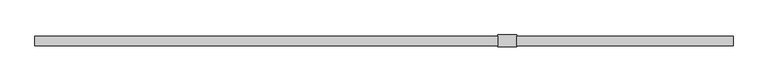
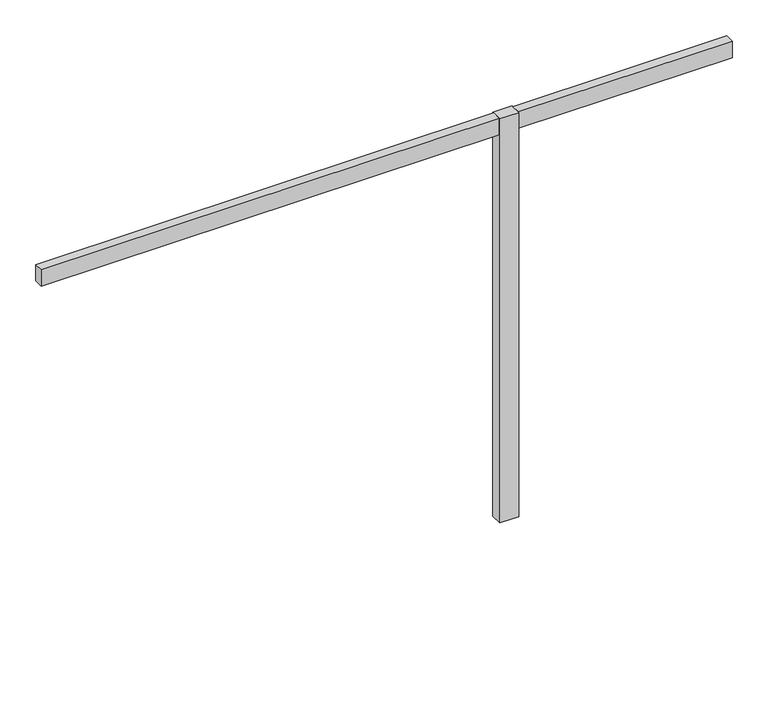
"""IFC4 building model written with IfcOpenShell, lengths in millimetres: furniture geometry."""

from ifc_helpers import new_model, si_unit, frame, origin, place, context, project, spatial, polyline, circle_curve, outline, extrude, source, transform, mapped, element, save
from ifc_brep_helpers import plane_surface, cylinder_surface, revolved_surface, advanced_brep


def furniture_f873e4c3(model_context):
    return source(origin(), model_context, "Body", "SolidModel", [
        extrude(outline(polyline([(0.0, -25.4), (0.0, 25.4), (2438.4, 25.4), (2438.4, -25.4), (0.0, -25.4)])), frame((0.0, 0.0, 2193.163), z_axis=(0.0, 0.0, 1.0), x_axis=(1.0, 0.0, 0.0)), (0.0, 0.0, 1.0), 92.71),
        extrude(outline(polyline([(3679.952, 25.4), (3679.952, -25.4), (2540.0, -25.4), (2540.0, 25.4), (3679.952, 25.4)])), frame((0.0, 0.0, 2193.163), z_axis=(0.0, 0.0, 1.0), x_axis=(1.0, 0.0, 0.0)), (0.0, 0.0, 1.0), 92.71),
        advanced_brep(
        [(2484.28608, 0.0, 12.2513995), (2497.7007166, 0.0, 12.2513995), (2497.7007166, 0.0, 8.6192084), (2484.28608, 0.0, 8.6192084), (2490.9933983, 0.0, 12.2513995), (2487.0977328, 0.0, 0.1343169), (2494.8890638, 0.0, 0.1343169), (2490.9933983, 0.0, 0.1343169), (2482.3954934, 0.0, 0.5457096), (2499.5913032, 0.0, 0.5457096), (2480.463095, 0.0, 1.6168555), (2501.5237016, 0.0, 1.6168555), (2479.7442797, 0.0, 3.5917842), (2502.2425168, 0.0, 3.5917842), (2479.7442797, 0.0, 5.5815918), (2502.2425168, 0.0, 5.5815918), (2480.1049588, 0.0, 6.9276644), (2501.8818378, 0.0, 6.9276644), (2481.1315909, 0.0, 7.9542964), (2500.8552057, 0.0, 7.9542964), (2482.7773058, 0.0, 8.6192084), (2499.2094908, 0.0, 8.6192084)],
        [
            (0, 1, circle_curve(frame((2490.9933983, 0.0, 12.2513995), z_axis=(0.0, 0.0, -1.0), x_axis=(1.0, 0.0, 0.0)), 6.7073183)),
            (1, 2),
            (2, 3, circle_curve(frame((2490.9933983, 0.0, 8.6192084), z_axis=(0.0, 0.0, 1.0), x_axis=(1.0, 0.0, 0.0)), 6.7073183)),
            (3, 0),
            (1, 0, circle_curve(frame((2490.9933983, 0.0, 12.2513995), z_axis=(0.0, 0.0, -1.0), x_axis=(1.0, 0.0, 0.0)), 6.7073183)),
            (3, 2, circle_curve(frame((2490.9933983, 0.0, 8.6192084), z_axis=(0.0, 0.0, 1.0), x_axis=(1.0, 0.0, 0.0)), 6.7073183)),
            (4, 1),
            (0, 4),
            (5, 6, circle_curve(frame((2490.9933983, 0.0, 0.1343169), z_axis=(0.0, 0.0, -1.0), x_axis=(1.0, 0.0, 0.0)), 3.8956655)),
            (6, 7),
            (7, 5),
            (6, 5, circle_curve(frame((2490.9933983, 0.0, 0.1343169), z_axis=(0.0, 0.0, -1.0), x_axis=(1.0, 0.0, 0.0)), 3.8956655)),
            (8, 9, circle_curve(frame((2490.9933983, 0.0, 0.5457096), z_axis=(0.0, 0.0, -1.0), x_axis=(1.0, 0.0, 0.0)), 8.5979049)),
            (9, 6),
            (5, 8),
            (9, 8, circle_curve(frame((2490.9933983, 0.0, 0.5457096), z_axis=(0.0, 0.0, -1.0), x_axis=(1.0, 0.0, 0.0)), 8.5979049)),
            (10, 11, circle_curve(frame((2490.9933983, 0.0, 1.6168555), z_axis=(0.0, 0.0, -1.0), x_axis=(1.0, 0.0, 0.0)), 10.5303033)),
            (11, 9),
            (8, 10),
            (11, 10, circle_curve(frame((2490.9933983, 0.0, 1.6168555), z_axis=(0.0, 0.0, -1.0), x_axis=(1.0, 0.0, 0.0)), 10.5303033)),
            (12, 13, circle_curve(frame((2490.9933983, 0.0, 3.5917842), z_axis=(0.0, 0.0, -1.0), x_axis=(1.0, 0.0, 0.0)), 11.2491185)),
            (13, 11),
            (10, 12),
            (13, 12, circle_curve(frame((2490.9933983, 0.0, 3.5917842), z_axis=(0.0, 0.0, -1.0), x_axis=(1.0, 0.0, 0.0)), 11.2491185)),
            (14, 15, circle_curve(frame((2490.9933983, 0.0, 5.5815918), z_axis=(0.0, 0.0, -1.0), x_axis=(1.0, 0.0, 0.0)), 11.2491185)),
            (15, 13),
            (12, 14),
            (15, 14, circle_curve(frame((2490.9933983, 0.0, 5.5815918), z_axis=(0.0, 0.0, -1.0), x_axis=(1.0, 0.0, 0.0)), 11.2491185)),
            (16, 17, circle_curve(frame((2490.9933983, 0.0, 6.9276644), z_axis=(0.0, 0.0, -1.0), x_axis=(1.0, 0.0, 0.0)), 10.8884395)),
            (17, 15),
            (14, 16),
            (17, 16, circle_curve(frame((2490.9933983, 0.0, 6.9276644), z_axis=(0.0, 0.0, -1.0), x_axis=(1.0, 0.0, 0.0)), 10.8884395)),
            (18, 19, circle_curve(frame((2490.9933983, 0.0, 7.9542964), z_axis=(0.0, 0.0, -1.0), x_axis=(1.0, 0.0, 0.0)), 9.8618074)),
            (19, 17),
            (16, 18),
            (19, 18, circle_curve(frame((2490.9933983, 0.0, 7.9542964), z_axis=(0.0, 0.0, -1.0), x_axis=(1.0, 0.0, 0.0)), 9.8618074)),
            (20, 21, circle_curve(frame((2490.9933983, 0.0, 8.6192084), z_axis=(0.0, 0.0, -1.0), x_axis=(1.0, 0.0, 0.0)), 8.2160925)),
            (21, 19),
            (18, 20),
            (21, 20, circle_curve(frame((2490.9933983, 0.0, 8.6192084), z_axis=(0.0, 0.0, -1.0), x_axis=(1.0, 0.0, 0.0)), 8.2160925)),
            (2, 21),
            (20, 3),
        ],
        [
            cylinder_surface(frame((2490.9933983, 0.0, 12.9264669), z_axis=(0.0, 0.0, 1.0), x_axis=(1.0, 0.0, 0.0)), 6.7073183),
            plane_surface(frame((2490.9933983, 0.0, 12.2513995), z_axis=(0.0, 0.0, 1.0), x_axis=(1.0, 0.0, 0.0))),
            plane_surface(frame((2490.9933983, 0.0, 0.1343169), z_axis=(0.0, 0.0, -1.0), x_axis=(1.0, 0.0, 0.0))),
            revolved_surface(polyline([(2494.8890638, 0.0, 0.1343169), (2499.5913032, 0.0, 0.5457096)]), (2490.9933983, 0.0, 12.9264669), (0.0, 0.0, 1.0)),
            revolved_surface(polyline([(2499.5913032, 0.0, 0.5457096), (2501.5237016, 0.0, 1.6168555)]), (2490.9933983, 0.0, 12.9264669), (0.0, 0.0, 1.0)),
            revolved_surface(polyline([(2501.5237016, 0.0, 1.6168555), (2502.2425168, 0.0, 3.5917842)]), (2490.9933983, 0.0, 12.9264669), (0.0, 0.0, 1.0)),
            cylinder_surface(frame((2490.9933983, 0.0, 12.9264669), z_axis=(0.0, 0.0, 1.0), x_axis=(1.0, 0.0, 0.0)), 11.2491185),
            revolved_surface(polyline([(2502.2425168, 0.0, 5.5815918), (2501.8818378, 0.0, 6.9276644)]), (2490.9933983, 0.0, 12.9264669), (0.0, 0.0, 1.0)),
            revolved_surface(polyline([(2501.8818378, 0.0, 6.9276644), (2500.8552057, 0.0, 7.9542964)]), (2490.9933983, 0.0, 12.9264669), (0.0, 0.0, 1.0)),
            revolved_surface(polyline([(2500.8552057, 0.0, 7.9542964), (2499.2094908, 0.0, 8.6192084)]), (2490.9933983, 0.0, 12.9264669), (0.0, 0.0, 1.0)),
            plane_surface(frame((2490.9933983, 0.0, 8.6192084), z_axis=(0.0, 0.0, 1.0), x_axis=(1.0, 0.0, 0.0))),
        ],
        [
            (0, [[1, 2, 3, 4]]),
            (0, [[5, -4, 6, -2]]),
            (1, [[7, -1, 8]]),
            (1, [[-8, -5, -7]]),
            (2, [[9, 10, 11]]),
            (2, [[12, -11, -10]]),
            (3, [[13, 14, -9, 15]]),
            (3, [[16, -15, -12, -14]]),
            (4, [[17, 18, -13, 19]]),
            (4, [[20, -19, -16, -18]]),
            (5, [[21, 22, -17, 23]]),
            (5, [[24, -23, -20, -22]]),
            (6, [[25, 26, -21, 27]]),
            (6, [[28, -27, -24, -26]]),
            (7, [[29, 30, -25, 31]]),
            (7, [[32, -31, -28, -30]]),
            (8, [[33, 34, -29, 35]]),
            (8, [[36, -35, -32, -34]]),
            (9, [[37, 38, -33, 39]]),
            (9, [[40, -39, -36, -38]]),
            (10, [[-3, 41, -37, 42]]),
            (10, [[-6, -42, -40, -41]]),
        ],
    ),
        extrude(outline(polyline([(2438.4, 31.75), (2540.0, 31.75), (2540.0, -31.75), (2438.4, -31.75), (2438.4, 31.75)])), frame((0.0, 0.0, 12.2513995), z_axis=(0.0, 0.0, 1.0), x_axis=(1.0, 0.0, 0.0)), (0.0, 0.0, 1.0), 2273.6216005),
    ])


if __name__ == "__main__":
    model = new_model("IFC4")
    model_context = context("Model", 3, world=origin())
    ifc_project = project(units=[si_unit("LENGTHUNIT", "METRE", prefix="MILLI")], contexts=[model_context])
    site = spatial("IfcSite", under=ifc_project)
    building = spatial("IfcBuilding", under=site)
    placement = place(None, origin())
    furniture_shape = furniture_f873e4c3(model_context)
    element("IfcFurniture", 1, at=placement, inside=building, context=model_context, shape_type="MappedRepresentation", body=[
        mapped(furniture_shape, transform((0.0, 0.0, 0.0), x_axis=(1.0, 0.0, 0.0), y_axis=(0.0, 1.0, 0.0), z_axis=(0.0, 0.0, 1.0))),
    ])
    save(model, "model.ifc")
